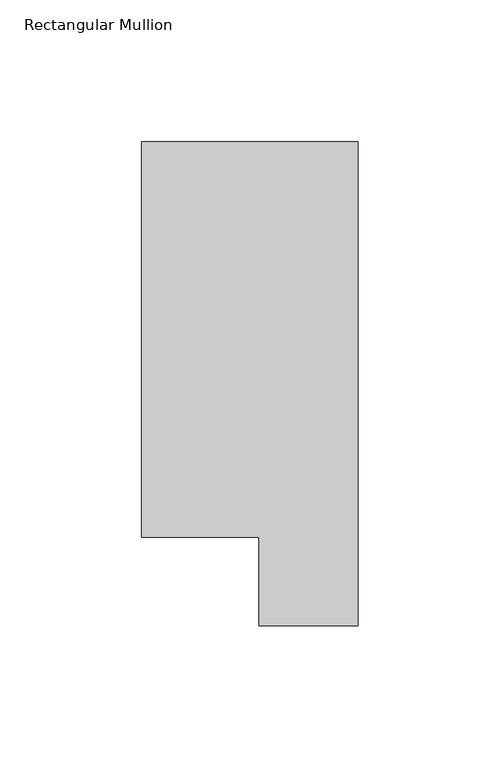
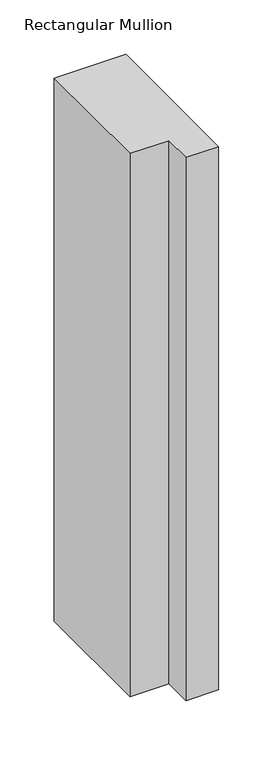
"""IFC4 building model written with IfcOpenShell, lengths in millimetres: member geometry, Rectangular Mullion."""

from ifc_helpers import new_model, si_unit, frame, origin, place, context, project, spatial, polyline, outline, extrude, source, transform, mapped, element, save


def rectangular_mullion_a2dafdcd(model_context):
    return source(origin(), model_context, "Body", "SweptSolid", [
        extrude(outline(polyline([(-76.2, 190.0007313), (0.0, 190.0007313), (0.0, 19.5667313), (-34.9123, 19.5667313), (-34.9123, 50.820278), (-76.2, 50.820278), (-76.2, 190.0007313)])), frame((0.0, 0.0, -609.6), z_axis=(0.0, 0.0, 1.0), x_axis=(1.0, 0.0, 0.0)), (0.0, 0.0, 1.0), 609.6),
    ])


if __name__ == "__main__":
    model = new_model("IFC4")
    model_context = context("Model", 3, world=origin())
    ifc_project = project(units=[si_unit("LENGTHUNIT", "METRE", prefix="MILLI")], contexts=[model_context])
    site = spatial("IfcSite", under=ifc_project)
    building = spatial("IfcBuilding", under=site)
    placement = place(None, origin())
    rectangular_mullion_shape = rectangular_mullion_a2dafdcd(model_context)
    element("IfcMember", 1, ObjectType="Rectangular Mullion", at=placement, inside=building, context=model_context, shape_type="MappedRepresentation", body=[
        mapped(rectangular_mullion_shape, transform((0.0, 0.0, 0.0), x_axis=(1.0, 0.0, 0.0), y_axis=(0.0, 1.0, 0.0), z_axis=(0.0, 0.0, 1.0))),
    ])
    save(model, "model.ifc")
